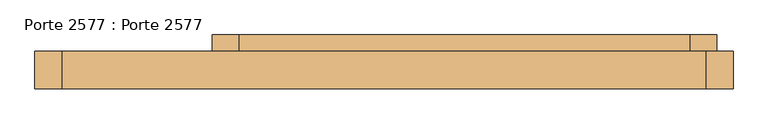
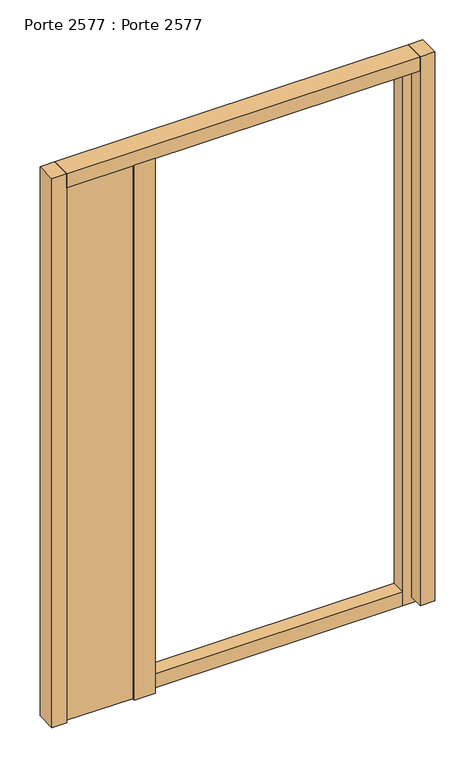
"""IFC4 building model written with IfcOpenShell, lengths in millimetres: door geometry, Porte 2577 : Porte 2577."""

from ifc_helpers import new_model, si_unit, frame, origin, origin_with_axes, place, context, project, spatial, polyline, outline, extrude, source, transform, mapped, element, save


def porte_2577_porte_2577_40144c99(model_context):
    return source(origin(), model_context, "Body", "SweptSolid", [
        extrude(outline(polyline([(-370.0, 315.0), (-370.0, 265.0), (-600.0, 265.0), (-600.0, 315.0), (-370.0, 315.0)])), origin_with_axes(), (0.0, 0.0, 1.0), 1920.0),
        extrude(outline(polyline([(-270.0, 355.0), (-270.0, 305.0), (-320.0, 305.0), (-320.0, 355.0), (-270.0, 355.0)])), frame((0.0, 0.0, -20.0), z_axis=(0.0, 0.0, 1.0), x_axis=(1.0, 0.0, 0.0)), (0.0, 0.0, 1.0), 1960.0),
        extrude(outline(polyline([(620.0, 355.0), (620.0, 305.0), (570.0, 305.0), (570.0, 355.0), (620.0, 355.0)])), frame((0.0, 0.0, -20.0), z_axis=(0.0, 0.0, 1.0), x_axis=(1.0, 0.0, 0.0)), (0.0, 0.0, 1.0), 1960.0),
        extrude(outline(polyline([(-300.0, 325.0), (-300.0, 255.0), (-370.0, 255.0), (-370.0, 325.0), (-300.0, 325.0)])), origin_with_axes(), (0.0, 0.0, 1.0), 1920.0),
        extrude(outline(polyline([(-600.0, 325.0), (-600.0, 255.0), (-650.0, 255.0), (-650.0, 325.0), (-600.0, 325.0)])), origin_with_axes(), (0.0, 0.0, 1.0), 1970.0),
        extrude(outline(polyline([(650.0, 325.0), (650.0, 255.0), (600.0, 255.0), (600.0, 325.0), (650.0, 325.0)])), origin_with_axes(), (0.0, 0.0, 1.0), 1970.0),
        extrude(outline(polyline([(570.0, 355.0), (570.0, 305.0), (-270.0, 305.0), (-270.0, 355.0), (570.0, 355.0)])), frame((0.0, 0.0, 1890.0), z_axis=(0.0, 0.0, 1.0), x_axis=(1.0, 0.0, 0.0)), (0.0, 0.0, 1.0), 50.0),
        extrude(outline(polyline([(570.0, 355.0), (570.0, 305.0), (-270.0, 305.0), (-270.0, 355.0), (570.0, 355.0)])), frame((0.0, 0.0, -20.0), z_axis=(0.0, 0.0, 1.0), x_axis=(1.0, 0.0, 0.0)), (0.0, 0.0, 1.0), 50.0),
        extrude(outline(polyline([(600.0, 325.0), (600.0, 255.0), (-600.0, 255.0), (-600.0, 325.0), (600.0, 325.0)])), frame((0.0, 0.0, 1920.0), z_axis=(0.0, 0.0, 1.0), x_axis=(1.0, 0.0, 0.0)), (0.0, 0.0, 1.0), 50.0),
    ])


if __name__ == "__main__":
    model = new_model("IFC4")
    model_context = context("Model", 3, world=origin())
    ifc_project = project(units=[si_unit("LENGTHUNIT", "METRE", prefix="MILLI")], contexts=[model_context])
    site = spatial("IfcSite", under=ifc_project)
    building = spatial("IfcBuilding", under=site)
    placement = place(None, origin())
    porte_2577_porte_2577_shape = porte_2577_porte_2577_40144c99(model_context)
    element("IfcDoor", 1, ObjectType="Porte 2577 : Porte 2577", at=placement, inside=building, context=model_context, shape_type="MappedRepresentation", body=[
        mapped(porte_2577_porte_2577_shape, transform((0.0, 0.0, 0.0), x_axis=(1.0, 0.0, 0.0), y_axis=(0.0, 1.0, 0.0), z_axis=(0.0, 0.0, 1.0))),
    ])
    save(model, "model.ifc")
